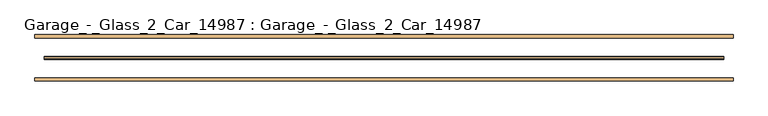
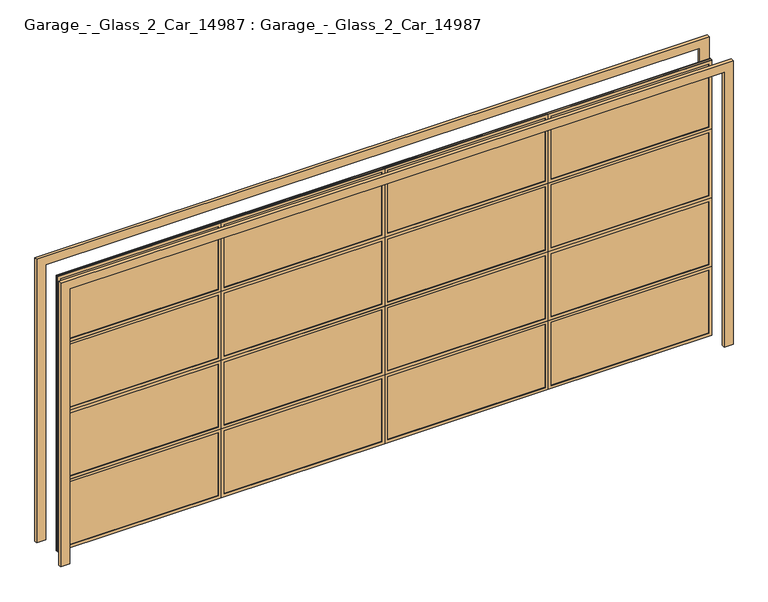
"""IFC4 building model written with IfcOpenShell, lengths in millimetres: door geometry, Garage_-_Glass_2_Car_14987 : Garage_-_Glass_2_Car_14987."""

import ifcopenshell
import ifcopenshell.guid

model = None  # the IFC model being written
_history = None  # IfcOwnerHistory: only IFC2X3 demands one
_inside = {}  # id of a spatial element -> (the spatial element, [elements in it])
_under = {}  # id of a project, library or spatial element -> (it, [spatial elements below it])
_declared = {}  # id of a project -> (the project, [libraries it declares])
_typed = {}  # id of a type object -> (the type object, [elements of that type])
_made_of = {}  # id of a material, layer set ... -> (it, [elements and type objects made of it])


def new_model(schema):
    """Start an empty IFC model of exactly this schema.

    Asked for "IFC4X3", IfcOpenShell would pick the latest addendum, in which some entities
    have other attributes; the version numbers below select the first issue.
    IFC2X3 requires an IfcOwnerHistory on every rooted entity: one is made here for all.
    """
    global model, _history
    if schema == "IFC4X3":
        model = ifcopenshell.file(schema_version=(4, 3, 0, 0))
    else:
        model = ifcopenshell.file(schema=schema)
    _inside.clear()
    _under.clear()
    _declared.clear()
    _typed.clear()
    _made_of.clear()
    _history = None
    if model.schema == "IFC2X3":
        org = make("IfcOrganization", Name="unknown")
        user = make(
            "IfcPersonAndOrganization",
            ThePerson=make("IfcPerson", FamilyName="unknown"),
            TheOrganization=org,
        )
        app = make(
            "IfcApplication",
            ApplicationDeveloper=org,
            Version="unknown",
            ApplicationFullName="unknown",
            ApplicationIdentifier="unknown",
        )
        _history = make(
            "IfcOwnerHistory",
            OwningUser=user,
            OwningApplication=app,
            ChangeAction="ADDED",
            CreationDate=0,
        )
    return model


def make(cls, **values):
    """One entity of the class cls with the attributes given. An attribute that is None is left unset."""
    return model.create_entity(
        cls, **{name: value for name, value in values.items() if value is not None}
    )


def rooted(cls, **values):
    """An entity with a GlobalId (a new one), such as an element, a storey or a relation."""
    return make(cls, GlobalId=ifcopenshell.guid.new(), OwnerHistory=_history, **values)


def si_unit(unit_type, name, prefix=None):
    """IfcSIUnit, for example si_unit("LENGTHUNIT", "METRE", prefix="MILLI")."""
    return make("IfcSIUnit", UnitType=unit_type, Prefix=prefix, Name=name)


def assignment(units):
    """IfcUnitAssignment: the units of a project."""
    return None if units is None else make("IfcUnitAssignment", Units=units)


def point(xyz):
    """IfcCartesianPoint."""
    return None if xyz is None else make("IfcCartesianPoint", Coordinates=xyz)


def direction(xyz):
    """IfcDirection."""
    return None if xyz is None else make("IfcDirection", DirectionRatios=xyz)


def frame(location, z_axis=None, x_axis=None):
    """IfcAxis2Placement3D, a coordinate frame: its origin and axes. An axis left out is left unset."""
    return make(
        "IfcAxis2Placement3D",
        Location=point(location),
        Axis=direction(z_axis),
        RefDirection=direction(x_axis),
    )


def origin():
    """The frame at (0, 0, 0) with its axes left unset."""
    return frame((0.0, 0.0, 0.0))


def origin_with_axes():
    """The frame at (0, 0, 0) with the z axis (0, 0, 1) and the x axis (1, 0, 0) written out."""
    return frame((0.0, 0.0, 0.0), z_axis=(0.0, 0.0, 1.0), x_axis=(1.0, 0.0, 0.0))


def place(relative_to, where):
    """IfcLocalPlacement: puts the frame where relative to a parent placement (None: the world)."""
    return make(
        "IfcLocalPlacement", PlacementRelTo=relative_to, RelativePlacement=where
    )


def context(
    kind, dimensions, precision=None, world=None, true_north=None, identifier=None
):
    """IfcGeometricRepresentationContext, for example the 3D "Model" context."""
    return make(
        "IfcGeometricRepresentationContext",
        ContextIdentifier=identifier,
        ContextType=kind,
        CoordinateSpaceDimension=dimensions,
        Precision=precision,
        WorldCoordinateSystem=world,
        TrueNorth=true_north,
    )


def project(units=None, contexts=None):
    """IfcProject with its units and contexts."""
    return rooted(
        "IfcProject",
        Name="project",
        RepresentationContexts=contexts,
        UnitsInContext=assignment(units),
    )


def spatial(cls, under=None, at=None, **own):
    """A site, building, storey or space (cls), placed at a placement, below another one or the project."""
    s = rooted(cls, ObjectPlacement=at, **own)
    if under is not None:
        _under.setdefault(under.id(), (under, []))[1].append(s)
    return s


def polyline(points):
    """IfcPolyline through the points."""
    return make("IfcPolyline", Points=[point(p) for p in points])


def outline(outer, holes=None, kind="AREA"):
    """IfcArbitraryClosedProfileDef: a profile drawn as a closed curve; with holes, ...WithVoids."""
    if holes is None:
        return make("IfcArbitraryClosedProfileDef", ProfileType=kind, OuterCurve=outer)
    return make(
        "IfcArbitraryProfileDefWithVoids",
        ProfileType=kind,
        OuterCurve=outer,
        InnerCurves=holes,
    )


def extrude(swept, where, along, depth):
    """IfcExtrudedAreaSolid: the profile swept, set in the frame where, extruded along a direction by depth."""
    return make(
        "IfcExtrudedAreaSolid",
        SweptArea=swept,
        Position=where,
        ExtrudedDirection=direction(along),
        Depth=depth,
    )


def shape(context_of_items, identifier, shape_type, items):
    """IfcShapeRepresentation: the items that make up one representation, for example the "Body"."""
    return make(
        "IfcShapeRepresentation",
        ContextOfItems=context_of_items,
        RepresentationIdentifier=identifier,
        RepresentationType=shape_type,
        Items=items,
    )


def source(mapping_origin, context_of_items, identifier, shape_type, items):
    """IfcRepresentationMap: a shape defined once, which mapped items show again and again."""
    return make(
        "IfcRepresentationMap",
        MappingOrigin=mapping_origin,
        MappedRepresentation=shape(context_of_items, identifier, shape_type, items),
    )


def transform(
    local_origin,
    x_axis=None,
    y_axis=None,
    z_axis=None,
    scale=None,
    scale2=None,
    scale3=None,
    uniform=True,
):
    """IfcCartesianTransformationOperator3D, or its non-uniform kind. x_axis, y_axis, z_axis: its Axis1, 2, 3."""
    if uniform:
        return make(
            "IfcCartesianTransformationOperator3D",
            Axis1=direction(x_axis),
            Axis2=direction(y_axis),
            LocalOrigin=point(local_origin),
            Scale=scale,
            Axis3=direction(z_axis),
        )
    return make(
        "IfcCartesianTransformationOperator3DnonUniform",
        Axis1=direction(x_axis),
        Axis2=direction(y_axis),
        LocalOrigin=point(local_origin),
        Scale=scale,
        Axis3=direction(z_axis),
        Scale2=scale2,
        Scale3=scale3,
    )


def mapped(mapping_source, mapping_target):
    """IfcMappedItem: shows the shape of a source again, moved by a transform."""
    return make(
        "IfcMappedItem", MappingSource=mapping_source, MappingTarget=mapping_target
    )


def made_of(thing, what):
    """Note that an element or type object is made of a material, layer set ...; save() writes the relation."""
    if what is not None:
        _made_of.setdefault(what.id(), (what, []))[1].append(thing)
    return thing


def element(
    cls,
    number,
    at=None,
    inside=None,
    cuts=None,
    type_object=None,
    material=None,
    context=None,
    identifier="Body",
    shape_type=None,
    held_by="IfcProductDefinitionShape",
    body=None,
    shapes=None,
    **own,
):
    """One element of the class cls, such as IfcWall. Its Tag is "e" and its number.

    at: its placement. inside: the storey or other place that contains it. cuts: it is an
    opening in that element (IfcRelVoidsElement). A single representation is given by context,
    identifier, shape_type and body (its items); several are given by shapes. held_by: the class
    of the entity that holds the representations. save() writes the other relations.
    """
    e = rooted(cls, Tag="e%d" % number, ObjectPlacement=at, **own)
    if body is not None:
        shapes = [shape(context, identifier, shape_type, body)]
    if shapes is not None:
        e.Representation = make(held_by, Representations=shapes)
    if inside is not None:
        _inside.setdefault(inside.id(), (inside, []))[1].append(e)
    if cuts is not None:
        rooted(
            "IfcRelVoidsElement", RelatingBuildingElement=cuts, RelatedOpeningElement=e
        )
    if type_object is not None:
        _typed.setdefault(type_object.id(), (type_object, []))[1].append(e)
    return made_of(e, material)


def aggregate(whole, parts):
    """IfcRelAggregates: a whole, such as a stair, and the parts it consists of."""
    return rooted("IfcRelAggregates", RelatingObject=whole, RelatedObjects=parts)


def save(model, path):
    """Write the relations noted so far, then the file.

    IfcRelAggregates (storeys below a building ...), IfcRelContainedInSpatialStructure (elements
    in a storey), IfcRelDefinesByType, IfcRelAssociatesMaterial and IfcRelDeclares: one each for
    every whole, place, type object, material and project.
    """
    for whole, parts in _under.values():
        aggregate(whole, parts)
    for where, things in _inside.values():
        rooted(
            "IfcRelContainedInSpatialStructure",
            RelatedElements=things,
            RelatingStructure=where,
        )
    for kind, things in _typed.values():
        rooted("IfcRelDefinesByType", RelatedObjects=things, RelatingType=kind)
    for what, things in _made_of.values():
        rooted("IfcRelAssociatesMaterial", RelatedObjects=things, RelatingMaterial=what)
    for by, libraries in _declared.values():
        rooted("IfcRelDeclares", RelatingContext=by, RelatedDefinitions=libraries)
    model.write(path)


def garage_glass_2_car_14987_garage_glass_2_car_14987_0c6fb04e(model_context):
    return source(origin(), model_context, "Body", "SweptSolid", [
        extrude(outline(polyline([(2438.4, -2743.2), (2438.4, 2743.2), (0.0, 2743.2), (0.0, 2819.4), (2514.6, 2819.4), (2514.6, -2819.4), (0.0, -2819.4), (0.0, -2743.2), (2438.4, -2743.2)])), frame((0.0, 161.925, 0.0), z_axis=(0.0, 1.0, 0.0), x_axis=(0.0, 0.0, 1.0)), (0.0, 0.0, 1.0), 25.4),
        extrude(outline(polyline([(2438.4, -2743.2), (2438.4, 2743.2), (0.0, 2743.2), (0.0, 2819.4), (2514.6, 2819.4), (2514.6, -2819.4), (0.0, -2819.4), (0.0, -2743.2), (2438.4, -2743.2)])), frame((0.0, -187.325, 0.0), z_axis=(0.0, 1.0, 0.0), x_axis=(0.0, 0.0, 1.0)), (0.0, 0.0, 1.0), 25.4),
        extrude(outline(polyline([(2743.2, 6.35), (2743.2, -6.35), (-2743.2, -6.35), (-2743.2, 6.35), (2743.2, 6.35)])), origin_with_axes(), (0.0, 0.0, 1.0), 2438.4),
        extrude(outline(polyline([(1219.2, 0.0), (1219.2, -1371.6), (609.6, -1371.6), (609.6, 0.0), (1219.2, 0.0)]), holes=[polyline([(1193.8, -25.4), (635.0, -25.4), (635.0, -1346.2), (1193.8, -1346.2), (1193.8, -25.4)])]), frame((0.0, -12.7, 0.0), z_axis=(0.0, 1.0, 0.0), x_axis=(0.0, 0.0, 1.0)), (0.0, 0.0, 1.0), 25.4),
        extrude(outline(polyline([(1219.2, 2743.2), (1219.2, 1371.6), (609.6, 1371.6), (609.6, 2743.2), (1219.2, 2743.2)]), holes=[polyline([(1193.8, 2717.8), (635.0, 2717.8), (635.0, 1397.0), (1193.8, 1397.0), (1193.8, 2717.8)])]), frame((0.0, -12.7, 0.0), z_axis=(0.0, 1.0, 0.0), x_axis=(0.0, 0.0, 1.0)), (0.0, 0.0, 1.0), 25.4),
        extrude(outline(polyline([(2438.4, 0.0), (2438.4, -1371.6), (1828.8, -1371.6), (1828.8, 0.0), (2438.4, 0.0)]), holes=[polyline([(2413.0, -25.4), (1854.2, -25.4), (1854.2, -1346.2), (2413.0, -1346.2), (2413.0, -25.4)])]), frame((0.0, -12.7, 0.0), z_axis=(0.0, 1.0, 0.0), x_axis=(0.0, 0.0, 1.0)), (0.0, 0.0, 1.0), 25.4),
        extrude(outline(polyline([(2438.4, 2743.2), (2438.4, 1371.6), (1828.8, 1371.6), (1828.8, 2743.2), (2438.4, 2743.2)]), holes=[polyline([(2413.0, 2717.8), (1854.2, 2717.8), (1854.2, 1397.0), (2413.0, 1397.0), (2413.0, 2717.8)])]), frame((0.0, -12.7, 0.0), z_axis=(0.0, 1.0, 0.0), x_axis=(0.0, 0.0, 1.0)), (0.0, 0.0, 1.0), 25.4),
        extrude(outline(polyline([(1219.2, -2743.2), (609.6, -2743.2), (609.6, -1371.6), (1219.2, -1371.6), (1219.2, -2743.2)]), holes=[polyline([(1193.8, -2717.8), (1193.8, -1397.0), (635.0, -1397.0), (635.0, -2717.8), (1193.8, -2717.8)])]), frame((0.0, -12.7, 0.0), z_axis=(0.0, 1.0, 0.0), x_axis=(0.0, 0.0, 1.0)), (0.0, 0.0, 1.0), 25.4),
        extrude(outline(polyline([(2438.4, -2743.2), (1828.8, -2743.2), (1828.8, -1371.6), (2438.4, -1371.6), (2438.4, -2743.2)]), holes=[polyline([(2413.0, -1397.0), (1854.2, -1397.0), (1854.2, -2717.8), (2413.0, -2717.8), (2413.0, -1397.0)])]), frame((0.0, -12.7, 0.0), z_axis=(0.0, 1.0, 0.0), x_axis=(0.0, 0.0, 1.0)), (0.0, 0.0, 1.0), 25.4),
        extrude(outline(polyline([(1828.8, 1371.6), (2438.4, 1371.6), (2438.4, 0.0), (1828.8, 0.0), (1828.8, 1371.6)]), holes=[polyline([(1854.2, 1346.2), (1854.2, 25.4), (2413.0, 25.4), (2413.0, 1346.2), (1854.2, 1346.2)])]), frame((0.0, -12.7, 0.0), z_axis=(0.0, 1.0, 0.0), x_axis=(0.0, 0.0, 1.0)), (0.0, 0.0, 1.0), 25.4),
        extrude(outline(polyline([(1219.2, 1371.6), (1219.2, 0.0), (609.6, 0.0), (609.6, 1371.6), (1219.2, 1371.6)]), holes=[polyline([(1193.8, 1346.2), (635.0, 1346.2), (635.0, 25.4), (1193.8, 25.4), (1193.8, 1346.2)])]), frame((0.0, -12.7, 0.0), z_axis=(0.0, 1.0, 0.0), x_axis=(0.0, 0.0, 1.0)), (0.0, 0.0, 1.0), 25.4),
        extrude(outline(polyline([(0.0, 0.0), (609.6, 0.0), (609.6, -1371.6), (0.0, -1371.6), (0.0, 0.0)]), holes=[polyline([(584.2, -25.4), (25.4, -25.4), (25.4, -1346.2), (584.2, -1346.2), (584.2, -25.4)])]), frame((0.0, -12.7, 0.0), z_axis=(0.0, 1.0, 0.0), x_axis=(0.0, 0.0, 1.0)), (0.0, 0.0, 1.0), 25.4),
        extrude(outline(polyline([(0.0, 2743.2), (609.6, 2743.2), (609.6, 1371.6), (0.0, 1371.6), (0.0, 2743.2)]), holes=[polyline([(584.2, 2717.8), (25.4, 2717.8), (25.4, 1397.0), (584.2, 1397.0), (584.2, 2717.8)])]), frame((0.0, -12.7, 0.0), z_axis=(0.0, 1.0, 0.0), x_axis=(0.0, 0.0, 1.0)), (0.0, 0.0, 1.0), 25.4),
        extrude(outline(polyline([(1828.8, 0.0), (1828.8, -1371.6), (1219.2, -1371.6), (1219.2, 0.0), (1828.8, 0.0)]), holes=[polyline([(1803.4, -25.4), (1244.6, -25.4), (1244.6, -1346.2), (1803.4, -1346.2), (1803.4, -25.4)])]), frame((0.0, -12.7, 0.0), z_axis=(0.0, 1.0, 0.0), x_axis=(0.0, 0.0, 1.0)), (0.0, 0.0, 1.0), 25.4),
        extrude(outline(polyline([(1828.8, 1371.6), (1219.2, 1371.6), (1219.2, 2743.2), (1828.8, 2743.2), (1828.8, 1371.6)]), holes=[polyline([(1803.4, 2717.8), (1244.6, 2717.8), (1244.6, 1397.0), (1803.4, 1397.0), (1803.4, 2717.8)])]), frame((0.0, -12.7, 0.0), z_axis=(0.0, 1.0, 0.0), x_axis=(0.0, 0.0, 1.0)), (0.0, 0.0, 1.0), 25.4),
        extrude(outline(polyline([(609.6, -1371.6), (609.6, -2743.2), (0.0, -2743.2), (0.0, -1371.6), (609.6, -1371.6)]), holes=[polyline([(584.2, -1397.0), (25.4, -1397.0), (25.4, -2717.8), (584.2, -2717.8), (584.2, -1397.0)])]), frame((0.0, -12.7, 0.0), z_axis=(0.0, 1.0, 0.0), x_axis=(0.0, 0.0, 1.0)), (0.0, 0.0, 1.0), 25.4),
        extrude(outline(polyline([(609.6, 1371.6), (609.6, 0.0), (0.0, 0.0), (0.0, 1371.6), (609.6, 1371.6)]), holes=[polyline([(584.2, 1346.2), (25.4, 1346.2), (25.4, 25.4), (584.2, 25.4), (584.2, 1346.2)])]), frame((0.0, -12.7, 0.0), z_axis=(0.0, 1.0, 0.0), x_axis=(0.0, 0.0, 1.0)), (0.0, 0.0, 1.0), 25.4),
        extrude(outline(polyline([(1828.8, -1371.6), (1828.8, -2743.2), (1219.2, -2743.2), (1219.2, -1371.6), (1828.8, -1371.6)]), holes=[polyline([(1803.4, -1397.0), (1244.6, -1397.0), (1244.6, -2717.8), (1803.4, -2717.8), (1803.4, -1397.0)])]), frame((0.0, -12.7, 0.0), z_axis=(0.0, 1.0, 0.0), x_axis=(0.0, 0.0, 1.0)), (0.0, 0.0, 1.0), 25.4),
        extrude(outline(polyline([(1828.8, 1371.6), (1828.8, 0.0), (1219.2, 0.0), (1219.2, 1371.6), (1828.8, 1371.6)]), holes=[polyline([(1803.4, 1346.2), (1244.6, 1346.2), (1244.6, 25.4), (1803.4, 25.4), (1803.4, 1346.2)])]), frame((0.0, -12.7, 0.0), z_axis=(0.0, 1.0, 0.0), x_axis=(0.0, 0.0, 1.0)), (0.0, 0.0, 1.0), 25.4),
    ])


if __name__ == "__main__":
    model = new_model("IFC4")
    model_context = context("Model", 3, world=origin())
    ifc_project = project(units=[si_unit("LENGTHUNIT", "METRE", prefix="MILLI")], contexts=[model_context])
    site = spatial("IfcSite", under=ifc_project)
    building = spatial("IfcBuilding", under=site)
    placement = place(None, origin())
    garage_glass_2_car_14987_garage_glass_2_car_14987_shape = garage_glass_2_car_14987_garage_glass_2_car_14987_0c6fb04e(model_context)
    element("IfcDoor", 1, ObjectType="Garage_-_Glass_2_Car_14987 : Garage_-_Glass_2_Car_14987", at=placement, inside=building, context=model_context, shape_type="MappedRepresentation", body=[
        mapped(garage_glass_2_car_14987_garage_glass_2_car_14987_shape, transform((0.0, 0.0, 0.0), x_axis=(1.0, 0.0, 0.0), y_axis=(0.0, 1.0, 0.0), z_axis=(0.0, 0.0, 1.0))),
    ])
    save(model, "model.ifc")
